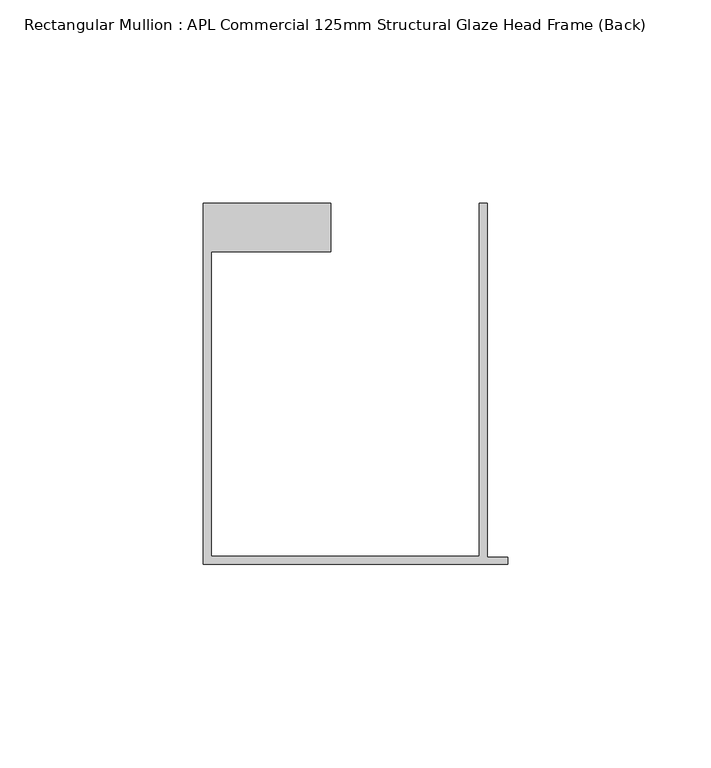
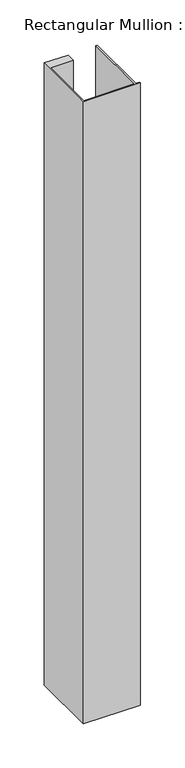
"""IFC4 building model written with IfcOpenShell, lengths in millimetres: member geometry, Rectangular Mullion : APL Commercial 125mm Structural Glaze Head Frame (Back)."""

from ifc_helpers import new_model, si_unit, frame, origin, place, context, project, spatial, polyline, outline, extrude, source, transform, mapped, element, save


def rectangular_mullion_apl_commercial_125mm_structural_glaze_02436878(model_context):
    return source(origin(), model_context, "Body", "SweptSolid", [
        extrude(outline(polyline([(-75.0, -103.9993063), (-75.0, -14.9998342), (-43.5000151, -14.9998342), (-43.5000151, -26.9997514), (-73.0, -26.9997514), (-73.0, -101.9993063), (-7.0, -101.9993063), (-7.0, -14.9998342), (-5.0, -14.9998342), (-5.0, -102.1993063), (0.0, -102.1993063), (0.0, -103.9993063), (-75.0, -103.9993063)])), frame((0.0, 0.0, -861.900041), z_axis=(0.0, 0.0, 1.0), x_axis=(1.0, 0.0, 0.0)), (0.0, 0.0, 1.0), 861.900041),
    ])


if __name__ == "__main__":
    model = new_model("IFC4")
    model_context = context("Model", 3, world=origin())
    ifc_project = project(units=[si_unit("LENGTHUNIT", "METRE", prefix="MILLI")], contexts=[model_context])
    site = spatial("IfcSite", under=ifc_project)
    building = spatial("IfcBuilding", under=site)
    placement = place(None, origin())
    rectangular_mullion_apl_commercial_125mm_structural_glaze_shape = rectangular_mullion_apl_commercial_125mm_structural_glaze_02436878(model_context)
    element("IfcMember", 1, ObjectType="Rectangular Mullion : APL Commercial 125mm Structural Glaze Head Frame (Back)", at=placement, inside=building, context=model_context, shape_type="MappedRepresentation", body=[
        mapped(rectangular_mullion_apl_commercial_125mm_structural_glaze_shape, transform((0.0, 0.0, 0.0), x_axis=(1.0, 0.0, 0.0), y_axis=(0.0, 1.0, 0.0), z_axis=(0.0, 0.0, 1.0))),
    ])
    save(model, "model.ifc")
